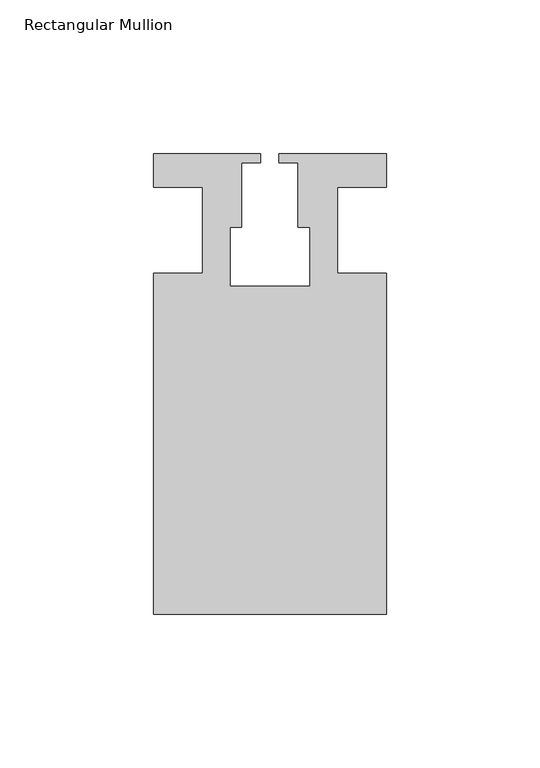
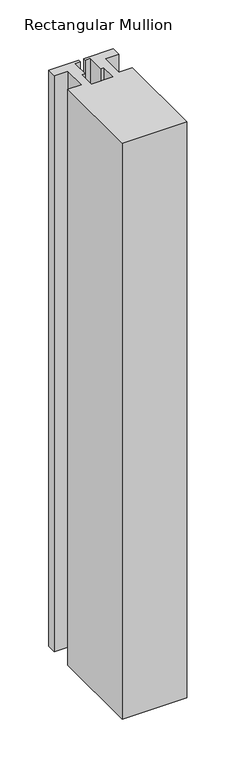
"""IFC4 building model written with IfcOpenShell, lengths in millimetres: member geometry, Rectangular Mullion."""

from ifc_helpers import new_model, si_unit, frame, origin, place, context, project, spatial, polyline, outline, extrude, source, transform, mapped, element, save


def rectangular_mullion_76b7fa57(model_context):
    return source(origin(), model_context, "Body", "SweptSolid", [
        extrude(outline(polyline([(37.9999914, -124.9960123), (-37.9999896, -124.9960123), (-37.9999896, -13.9959029), (-21.9999633, -13.9959029), (-21.9999633, 14.0039877), (-37.9999896, 14.0039877), (-37.9999896, 25.0039877), (-2.9999896, 25.0039877), (-2.9999896, 22.0039877), (-9.1999633, 22.0039877), (-9.1999633, 1.0039877), (-12.9999633, 1.0039877), (-12.9999633, -18.1960075), (12.9999651, -18.1960075), (12.9999651, 1.0039877), (9.1999651, 1.0039877), (9.1999651, 22.0039877), (2.9999651, 22.0039877), (2.9999651, 25.0039877), (37.9999896, 25.0039877), (37.9999896, 14.0039877), (21.9999651, 14.0039877), (21.9999651, -13.9960123), (37.9999914, -13.9960123), (37.9999914, -124.9960123)])), frame((0.0, 0.0, -718.9800745), z_axis=(0.0, 0.0, 1.0), x_axis=(1.0, 0.0, 0.0)), (0.0, 0.0, 1.0), 718.9800745),
    ])


if __name__ == "__main__":
    model = new_model("IFC4")
    model_context = context("Model", 3, world=origin())
    ifc_project = project(units=[si_unit("LENGTHUNIT", "METRE", prefix="MILLI")], contexts=[model_context])
    site = spatial("IfcSite", under=ifc_project)
    building = spatial("IfcBuilding", under=site)
    placement = place(None, origin())
    rectangular_mullion_shape = rectangular_mullion_76b7fa57(model_context)
    element("IfcMember", 1, ObjectType="Rectangular Mullion", at=placement, inside=building, context=model_context, shape_type="MappedRepresentation", body=[
        mapped(rectangular_mullion_shape, transform((0.0, 0.0, 0.0), x_axis=(1.0, 0.0, 0.0), y_axis=(0.0, 1.0, 0.0), z_axis=(0.0, 0.0, 1.0))),
    ])
    save(model, "model.ifc")
